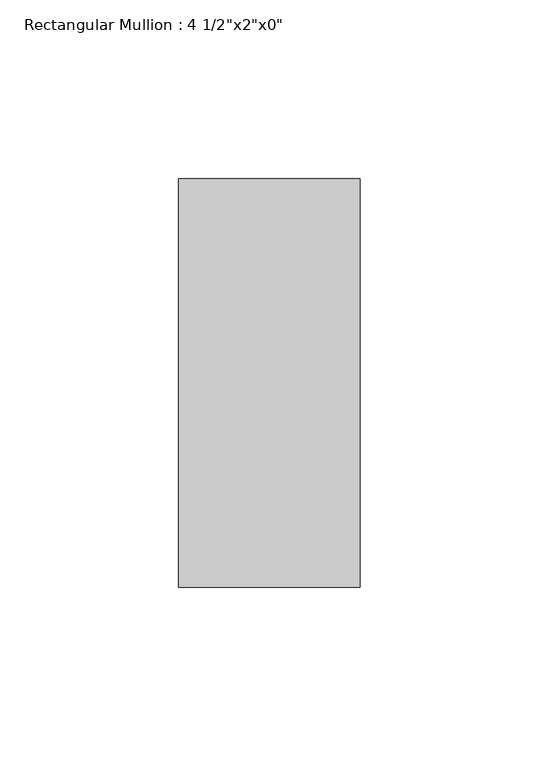
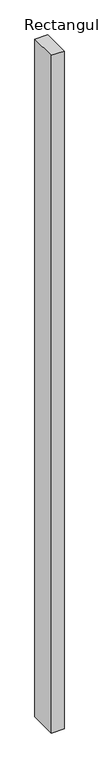
"""IFC4 building model written with IfcOpenShell, lengths in millimetres: member geometry."""

from ifc_helpers import new_model, si_unit, frame, origin, place, context, project, spatial, polyline, outline, extrude, source, transform, mapped, element, save


def member_50cea9b2(model_context):
    return source(origin(), model_context, "Body", "SweptSolid", [
        extrude(outline(polyline([(25.4, 57.15), (25.4, -57.15), (-25.4, -57.15), (-25.4, 57.15), (25.4, 57.15)])), frame((0.0, 0.0, -2870.2), z_axis=(0.0, 0.0, 1.0), x_axis=(1.0, 0.0, 0.0)), (0.0, 0.0, 1.0), 2870.2),
    ])


if __name__ == "__main__":
    model = new_model("IFC4")
    model_context = context("Model", 3, world=origin())
    ifc_project = project(units=[si_unit("LENGTHUNIT", "METRE", prefix="MILLI")], contexts=[model_context])
    site = spatial("IfcSite", under=ifc_project)
    building = spatial("IfcBuilding", under=site)
    placement = place(None, origin())
    member_shape = member_50cea9b2(model_context)
    element("IfcMember", 1, ObjectType="Rectangular Mullion : 4 1/2\"x2\"x0\"", at=placement, inside=building, context=model_context, shape_type="MappedRepresentation", body=[
        mapped(member_shape, transform((0.0, 0.0, 0.0), x_axis=(1.0, 0.0, 0.0), y_axis=(0.0, 1.0, 0.0), z_axis=(0.0, 0.0, 1.0))),
    ])
    save(model, "model.ifc")
